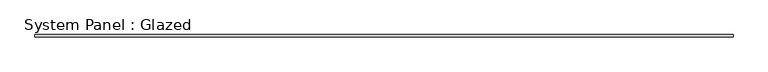
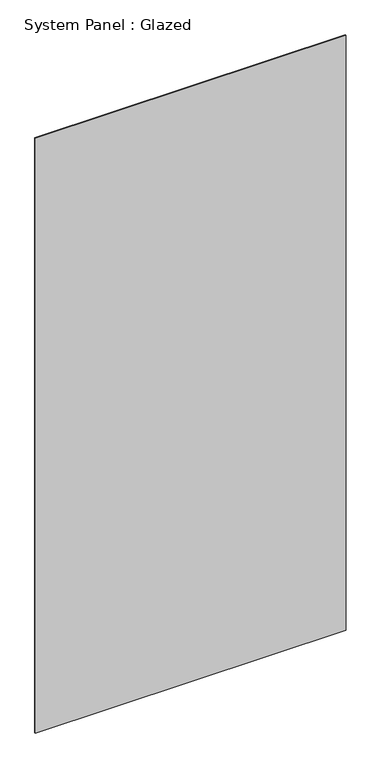
"""IFC4 building model written with IfcOpenShell, lengths in millimetres: plate geometry, System Panel : Glazed."""

from ifc_helpers import new_model, si_unit, origin, origin_with_axes, place, context, project, spatial, polyline, outline, extrude, source, transform, mapped, element, save


def system_panel_glazed_1e0d600b(model_context):
    return source(origin(), model_context, "Body", "SweptSolid", [
        extrude(outline(polyline([(3919.8455019, 19.05), (-3919.8455019, 19.05), (-3919.8455019, 44.45), (3919.8455019, 44.45), (3919.8455019, 19.05)])), origin_with_axes(), (0.0, 0.0, 1.0), 15849.6),
    ])


if __name__ == "__main__":
    model = new_model("IFC4")
    model_context = context("Model", 3, world=origin())
    ifc_project = project(units=[si_unit("LENGTHUNIT", "METRE", prefix="MILLI")], contexts=[model_context])
    site = spatial("IfcSite", under=ifc_project)
    building = spatial("IfcBuilding", under=site)
    placement = place(None, origin())
    system_panel_glazed_shape = system_panel_glazed_1e0d600b(model_context)
    element("IfcPlate", 1, ObjectType="System Panel : Glazed", at=placement, inside=building, context=model_context, shape_type="MappedRepresentation", body=[
        mapped(system_panel_glazed_shape, transform((0.0, 0.0, 0.0), x_axis=(1.0, 0.0, 0.0), y_axis=(0.0, 1.0, 0.0), z_axis=(0.0, 0.0, 1.0))),
    ])
    save(model, "model.ifc")
